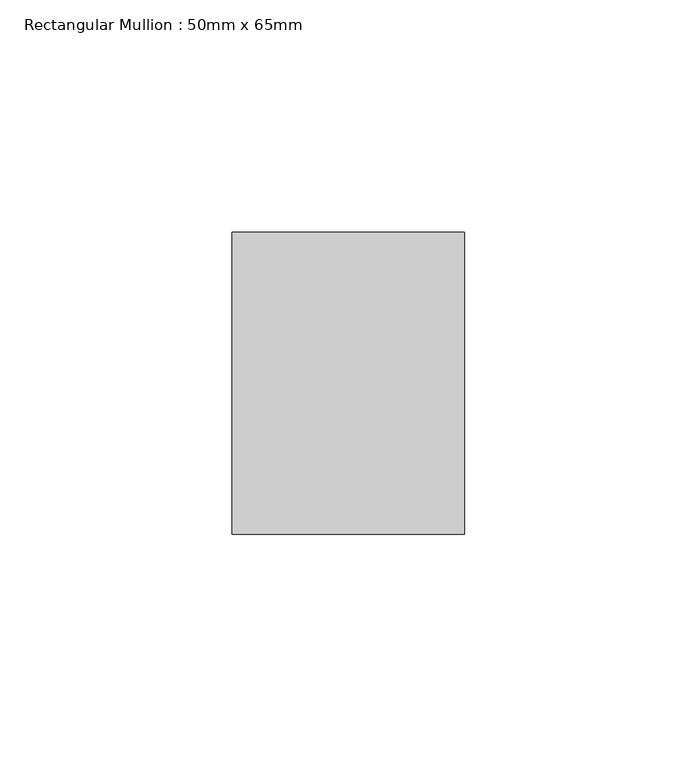
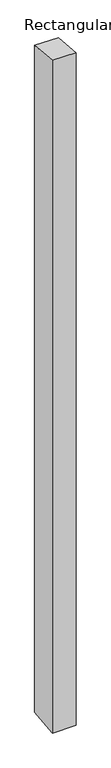
"""IFC4 building model written with IfcOpenShell, lengths in millimetres: member geometry, Rectangular Mullion : 50mm x 65mm."""

from ifc_helpers import new_model, si_unit, origin, place, context, project, spatial, faceted_brep, source, transform, mapped, element, save


def rectangular_mullion_50mm_x_65mm_a43758c9(model_context):
    return source(origin(), model_context, "Body", "Brep", [
        faceted_brep([(-25.0, 32.5, -2.9911602), (25.0, 32.5, -2.9911524), (25.0, 32.5, -1496.6283909), (-25.0, 32.5, -1496.6283821), (-25.0, -32.5, 2.9911524), (-25.0, -32.5, -1503.3717469), (25.0, -32.5, 2.9911602), (25.0, -32.5, -1503.3717557)], [[[0, 1, 2, 3]], [[4, 0, 3, 5]], [[6, 4, 5, 7]], [[1, 6, 7, 2]], [[1, 0, 4, 6]], [[2, 7, 5, 3]]]),
    ])


if __name__ == "__main__":
    model = new_model("IFC4")
    model_context = context("Model", 3, world=origin())
    ifc_project = project(units=[si_unit("LENGTHUNIT", "METRE", prefix="MILLI")], contexts=[model_context])
    site = spatial("IfcSite", under=ifc_project)
    building = spatial("IfcBuilding", under=site)
    placement = place(None, origin())
    rectangular_mullion_50mm_x_65mm_shape = rectangular_mullion_50mm_x_65mm_a43758c9(model_context)
    element("IfcMember", 1, ObjectType="Rectangular Mullion : 50mm x 65mm", at=placement, inside=building, context=model_context, shape_type="MappedRepresentation", body=[
        mapped(rectangular_mullion_50mm_x_65mm_shape, transform((0.0, 0.0, 0.0), x_axis=(1.0, 0.0, 0.0), y_axis=(0.0, 1.0, 0.0), z_axis=(0.0, 0.0, 1.0))),
    ])
    save(model, "model.ifc")
